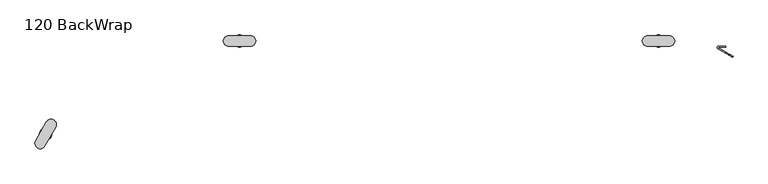
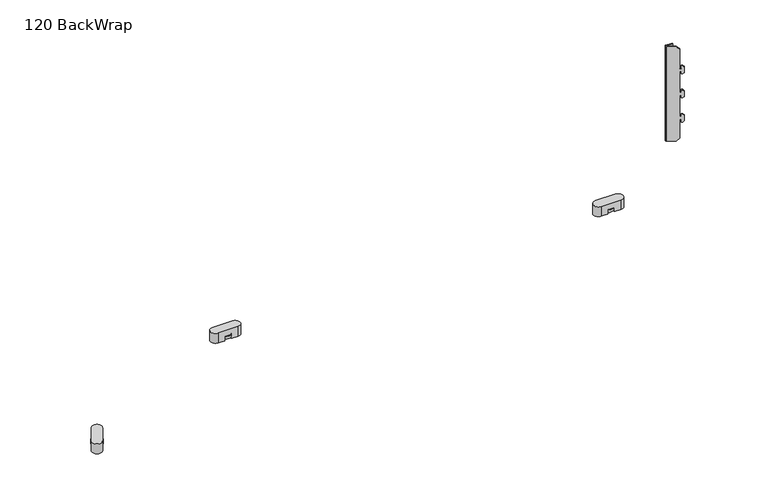
"""IFC4 building model written with IfcOpenShell, lengths in millimetres: furniture geometry, 120 BackWrap."""

from ifc_helpers import new_model, si_unit, point, frame, frame_2d, origin, place, context, project, spatial, polyline, circle_curve, trimmed, segment, composite_curve, outline, extrude, source, transform, mapped, element, save
from ifc_brep_helpers import plane_surface, cylinder_surface, revolved_surface, advanced_brep


def furniture_120_backwrap_07861d0c(model_context):
    return source(origin(), model_context, "Body", "SolidModel", [
        advanced_brep(
        [(1336.9143288, -32.9117824, 323.9031218), (1342.1770838, -35.9502354, 317.8262158), (1342.1770838, -35.9502354, 276.6756266), (1344.6104582, -37.3551448, 276.6756266), (1344.6104582, -37.3551448, 282.5751605), (1347.2407143, -38.8737238, 282.5751605), (1349.4442688, -40.1459466, 280.0307149), (1349.4442688, -40.1459466, 267.9465768), (1347.2433427, -38.8752413, 265.4051662), (1344.6104582, -37.3551448, 265.4051662), (1344.6104582, -37.3551448, 271.3105955), (1342.1770838, -35.9502354, 271.3105955), (1342.1770838, -35.9502354, 224.3556612), (1344.6104582, -37.3551448, 224.3556612), (1344.6104582, -37.3551448, 230.2551951), (1347.2407143, -38.8737238, 230.2551951), (1349.4442688, -40.1459466, 227.7107495), (1349.4442688, -40.1459466, 215.6266115), (1347.2433427, -38.8752413, 213.0852009), (1344.6104582, -37.3551448, 213.0852009), (1344.6104582, -37.3551448, 218.9906301), (1342.1770838, -35.9502354, 218.9906301), (1342.1770838, -35.9502354, 172.0256189), (1344.6104582, -37.3551448, 172.0256189), (1344.6104582, -37.3551448, 177.9251529), (1347.2407143, -38.8737238, 177.9251529), (1349.4442688, -40.1459466, 175.3807073), (1349.4442688, -40.1459466, 163.2965692), (1347.2433427, -38.8752413, 160.7551586), (1344.6104582, -37.3551448, 160.7551586), (1344.6104582, -37.3551448, 166.6605879), (1342.1770838, -35.9502354, 166.6605879), (1342.1770838, -35.9502354, 125.5200268), (1336.9143291, -32.9117826, 119.4431211), (1322.0765894, -24.3452096, 119.4431211), (1322.0765894, -24.3452096, 323.9031218), (1335.9681612, -34.5505935, 119.4431211), (1341.2309158, -37.5890463, 125.5200268), (1341.2309158, -37.5890463, 166.6605879), (1343.6642903, -38.9939558, 166.6605879), (1343.6642903, -38.9939558, 160.7551586), (1346.2971747, -40.5140523, 160.7551586), (1348.4981009, -41.7847576, 163.2965692), (1348.4981009, -41.7847576, 175.3807073), (1346.2945464, -40.5125348, 177.9251529), (1343.6642903, -38.9939558, 177.9251529), (1343.6642903, -38.9939558, 172.0256189), (1341.2309158, -37.5890463, 172.0256189), (1341.2309158, -37.5890463, 218.9906301), (1343.6642903, -38.9939558, 218.9906301), (1343.6642903, -38.9939558, 213.0852009), (1346.2971747, -40.5140523, 213.0852009), (1348.4981009, -41.7847576, 215.6266115), (1348.4981009, -41.7847576, 227.7107495), (1346.2945464, -40.5125348, 230.2551951), (1343.6642903, -38.9939558, 230.2551951), (1343.6642903, -38.9939558, 224.3556612), (1341.2309158, -37.5890463, 224.3556612), (1341.2309158, -37.5890463, 271.3105955), (1343.6642903, -38.9939558, 271.3105955), (1343.6642903, -38.9939558, 265.4051662), (1346.2971747, -40.5140523, 265.4051662), (1348.4981009, -41.7847576, 267.9465768), (1348.4981009, -41.7847576, 280.0307149), (1346.2945464, -40.5125348, 282.5751605), (1343.6642903, -38.9939558, 282.5751605), (1343.6642903, -38.9939558, 276.6756266), (1341.2309158, -37.5890463, 276.6756266), (1341.2309158, -37.5890463, 317.8262158), (1335.9681609, -34.5505933, 323.9031218), (1321.1304095, -25.9840136, 323.9031218), (1321.1304095, -25.9840136, 119.4431211), (1322.4622047, -22.9281911, 323.9031218), (1335.3405853, -22.9281911, 323.9031218), (1335.3405853, -21.0353091, 323.9031218), (1322.4622047, -21.0353091, 323.9031218), (1319.9241954, -22.8417185, 323.9031218), (1319.9241954, -22.8417185, 119.4431211), (1322.4622047, -21.0353091, 119.4431211), (1335.3405853, -21.0353091, 119.4431211), (1335.3405853, -22.9281911, 119.4431211), (1322.4622047, -22.9281911, 119.4431211)],
        [
            (0, 1),
            (1, 2),
            (2, 3),
            (3, 4),
            (4, 5),
            (5, 6),
            (6, 7),
            (7, 8),
            (8, 9),
            (9, 10),
            (10, 11),
            (11, 12),
            (12, 13),
            (13, 14),
            (14, 15),
            (15, 16),
            (16, 17),
            (17, 18),
            (18, 19),
            (19, 20),
            (20, 21),
            (21, 22),
            (22, 23),
            (23, 24),
            (24, 25),
            (25, 26),
            (26, 27),
            (27, 28),
            (28, 29),
            (29, 30),
            (30, 31),
            (31, 32),
            (32, 33),
            (33, 34),
            (34, 35),
            (35, 0),
            (36, 37),
            (37, 38),
            (38, 39),
            (39, 40),
            (40, 41),
            (41, 42),
            (42, 43),
            (43, 44),
            (44, 45),
            (45, 46),
            (46, 47),
            (47, 48),
            (48, 49),
            (49, 50),
            (50, 51),
            (51, 52),
            (52, 53),
            (53, 54),
            (54, 55),
            (55, 56),
            (56, 57),
            (57, 58),
            (58, 59),
            (59, 60),
            (60, 61),
            (61, 62),
            (62, 63),
            (63, 64),
            (64, 65),
            (65, 66),
            (66, 67),
            (67, 68),
            (68, 69),
            (69, 70),
            (70, 71),
            (71, 36),
            (35, 72, circle_curve(frame((1322.4562845, -23.6875583, 323.9031218), z_axis=(0.0, 0.0, -1.0), x_axis=(1.0, 0.0, 0.0)), 0.7593903)),
            (72, 73),
            (73, 74),
            (74, 75),
            (75, 76, circle_curve(frame((1322.4111897, -23.6497919, 323.9031218), z_axis=(0.0, 0.0, 1.0), x_axis=(1.0, 0.0, 0.0)), 2.6149805)),
            (76, 70, circle_curve(frame((1322.4675081, -23.6680909, 323.9031218), z_axis=(0.0, 0.0, 1.0), x_axis=(1.0, 0.0, 0.0)), 2.6741972)),
            (69, 0),
            (68, 1),
            (67, 2),
            (66, 3),
            (65, 4),
            (64, 5),
            (63, 6),
            (62, 7),
            (61, 8),
            (60, 9),
            (59, 10),
            (58, 11),
            (57, 12),
            (56, 13),
            (55, 14),
            (54, 15),
            (53, 16),
            (52, 17),
            (51, 18),
            (50, 19),
            (49, 20),
            (48, 21),
            (47, 22),
            (46, 23),
            (45, 24),
            (44, 25),
            (43, 26),
            (42, 27),
            (41, 28),
            (40, 29),
            (39, 30),
            (38, 31),
            (37, 32),
            (36, 33),
            (71, 77, circle_curve(frame((1322.4675081, -23.6680909, 119.4431211), z_axis=(0.0, 0.0, -1.0), x_axis=(1.0, 0.0, 0.0)), 2.6741972)),
            (77, 78, circle_curve(frame((1322.4111897, -23.6497919, 119.4431211), z_axis=(0.0, 0.0, -1.0), x_axis=(1.0, 0.0, 0.0)), 2.6149805)),
            (78, 79),
            (79, 80),
            (80, 81),
            (81, 34, circle_curve(frame((1322.4562845, -23.6875583, 119.4431211), z_axis=(0.0, 0.0, 1.0), x_axis=(1.0, 0.0, 0.0)), 0.7593903)),
            (81, 72),
            (80, 73),
            (79, 74),
            (78, 75),
            (77, 76),
        ],
        [
            plane_surface(frame((1330.5913574, -29.2612132, 323.9031218), z_axis=(0.5000000000000026, 0.8660254037844372, 0.0), x_axis=(0.0, 0.0, 1.0))),
            plane_surface(frame((1329.6451895, -30.9000241, 323.9031218), z_axis=(-0.5000000000000026, -0.8660254037844372, 0.0), x_axis=(0.0, 0.0, -1.0))),
            plane_surface(frame((1330.5913574, -29.2612132, 323.9031218), z_axis=(0.0, 0.0, 1.0), x_axis=(-0.5000000000000133, -0.866025403784431, 0.0))),
            plane_surface(frame((1336.9143288, -32.9117824, 323.9031218), z_axis=(0.6123724356957576, -0.35355339059326496, 0.7071067811865841), x_axis=(-0.5000000000000133, -0.866025403784431, 0.0))),
            plane_surface(frame((1342.1770838, -35.9502354, 317.8262158), z_axis=(0.866025403784431, -0.5000000000000133, 0.0), x_axis=(-0.5000000000000133, -0.866025403784431, 0.0))),
            plane_surface(frame((1342.1770838, -35.9502354, 276.6756266), z_axis=(0.0, 0.0, 1.0), x_axis=(-0.5000000000000133, -0.866025403784431, 0.0))),
            plane_surface(frame((1344.6104582, -37.3551448, 276.6756266), z_axis=(-0.8660254037844305, 0.5000000000000142, 0.0), x_axis=(-0.5000000000000142, -0.8660254037844305, 0.0))),
            plane_surface(frame((1344.6104582, -37.3551448, 282.5751605), z_axis=(0.0, 0.0, 1.0), x_axis=(-0.5000000000000133, -0.866025403784431, 0.0))),
            plane_surface(frame((1347.2407143, -38.8737238, 282.5751605), z_axis=(0.6123724356958354, -0.35355339059331076, 0.7071067811864937), x_axis=(-0.5000000000000142, -0.8660254037844305, 0.0))),
            plane_surface(frame((1349.4442688, -40.1459466, 280.0307149), z_axis=(0.8660254037844316, -0.5000000000000124, 0.0), x_axis=(-0.5000000000000124, -0.8660254037844316, 0.0))),
            plane_surface(frame((1349.4442688, -40.1459466, 267.9465768), z_axis=(0.6123724356957484, -0.3535533905932588, -0.7071067811865951), x_axis=(-0.5000000000000124, -0.8660254037844316, 0.0))),
            plane_surface(frame((1347.2433427, -38.8752413, 265.4051662), z_axis=(0.0, 0.0, -1.0), x_axis=(-0.5000000000000142, -0.8660254037844305, 0.0))),
            plane_surface(frame((1344.6104582, -37.3551448, 265.4051662), z_axis=(-0.8660254037844305, 0.5000000000000142, 0.0), x_axis=(-0.5000000000000142, -0.8660254037844305, 0.0))),
            plane_surface(frame((1344.6104582, -37.3551448, 271.3105955), z_axis=(0.0, 0.0, -1.0), x_axis=(-0.5000000000000142, -0.8660254037844305, 0.0))),
            plane_surface(frame((1342.1770838, -35.9502354, 271.3105955), z_axis=(0.8660254037844305, -0.5000000000000142, 0.0), x_axis=(-0.5000000000000142, -0.8660254037844305, 0.0))),
            plane_surface(frame((1342.1770838, -35.9502354, 224.3556612), z_axis=(0.0, 0.0, 1.0), x_axis=(-0.5000000000000133, -0.866025403784431, 0.0))),
            plane_surface(frame((1344.6104582, -37.3551448, 224.3556612), z_axis=(-0.8660254037844305, 0.5000000000000142, 0.0), x_axis=(-0.5000000000000142, -0.8660254037844305, 0.0))),
            plane_surface(frame((1344.6104582, -37.3551448, 230.2551951), z_axis=(0.0, 0.0, 1.0), x_axis=(-0.5000000000000142, -0.8660254037844305, 0.0))),
            plane_surface(frame((1347.2407143, -38.8737238, 230.2551951), z_axis=(0.6123724356958354, -0.35355339059331076, 0.7071067811864937), x_axis=(-0.5000000000000142, -0.8660254037844305, 0.0))),
            plane_surface(frame((1349.4442688, -40.1459466, 227.7107495), z_axis=(0.8660254037844316, -0.5000000000000124, 0.0), x_axis=(-0.5000000000000124, -0.8660254037844316, 0.0))),
            plane_surface(frame((1349.4442688, -40.1459466, 215.6266115), z_axis=(0.6123724356957484, -0.3535533905932588, -0.7071067811865951), x_axis=(-0.5000000000000124, -0.8660254037844316, 0.0))),
            plane_surface(frame((1347.2433427, -38.8752413, 213.0852009), z_axis=(0.0, 0.0, -1.0), x_axis=(-0.5000000000000142, -0.8660254037844305, 0.0))),
            plane_surface(frame((1344.6104582, -37.3551448, 213.0852009), z_axis=(-0.8660254037844305, 0.5000000000000142, 0.0), x_axis=(-0.5000000000000142, -0.8660254037844305, 0.0))),
            plane_surface(frame((1344.6104582, -37.3551448, 218.9906301), z_axis=(0.0, 0.0, -1.0), x_axis=(-0.5000000000000142, -0.8660254037844305, 0.0))),
            plane_surface(frame((1342.1770838, -35.9502354, 218.9906301), z_axis=(0.866025403784431, -0.5000000000000133, 0.0), x_axis=(-0.5000000000000133, -0.866025403784431, 0.0))),
            plane_surface(frame((1342.1770838, -35.9502354, 172.0256189), z_axis=(0.0, 0.0, 1.0), x_axis=(-0.5000000000000133, -0.866025403784431, 0.0))),
            plane_surface(frame((1344.6104582, -37.3551448, 172.0256189), z_axis=(-0.8660254037844305, 0.5000000000000142, 0.0), x_axis=(-0.5000000000000142, -0.8660254037844305, 0.0))),
            plane_surface(frame((1344.6104582, -37.3551448, 177.9251529), z_axis=(0.0, 0.0, 1.0), x_axis=(-0.5000000000000142, -0.8660254037844305, 0.0))),
            plane_surface(frame((1347.2407143, -38.8737238, 177.9251529), z_axis=(0.6123724356958354, -0.35355339059331076, 0.7071067811864937), x_axis=(-0.5000000000000142, -0.8660254037844305, 0.0))),
            plane_surface(frame((1349.4442688, -40.1459466, 175.3807073), z_axis=(0.8660254037844316, -0.5000000000000124, 0.0), x_axis=(-0.5000000000000124, -0.8660254037844316, 0.0))),
            plane_surface(frame((1349.4442688, -40.1459466, 163.2965692), z_axis=(0.6123724356957484, -0.3535533905932588, -0.7071067811865951), x_axis=(-0.5000000000000124, -0.8660254037844316, 0.0))),
            plane_surface(frame((1347.2433427, -38.8752413, 160.7551586), z_axis=(0.0, 0.0, -1.0), x_axis=(-0.5000000000000142, -0.8660254037844305, 0.0))),
            plane_surface(frame((1344.6104582, -37.3551448, 160.7551586), z_axis=(-0.8660254037844305, 0.5000000000000142, 0.0), x_axis=(-0.5000000000000142, -0.8660254037844305, 0.0))),
            plane_surface(frame((1344.6104582, -37.3551448, 166.6605879), z_axis=(0.0, 0.0, -1.0), x_axis=(-0.5000000000000142, -0.8660254037844305, 0.0))),
            plane_surface(frame((1342.1770838, -35.9502354, 166.6605879), z_axis=(0.866025403784431, -0.5000000000000133, 0.0), x_axis=(-0.5000000000000133, -0.866025403784431, 0.0))),
            plane_surface(frame((1342.1770838, -35.9502354, 125.5200268), z_axis=(0.6123724356957685, -0.3535533905932713, -0.7071067811865716), x_axis=(-0.5000000000000133, -0.866025403784431, 0.0))),
            plane_surface(frame((1336.9143291, -32.9117826, 119.4431211), z_axis=(0.0, 0.0, -1.0), x_axis=(-0.5000000000000133, -0.866025403784431, 0.0))),
            revolved_surface(polyline([(1323.2156748, -23.6875583, 119.4431211), (1323.2156748, -23.6875583, 323.9031218)]), (1322.4562845, -23.6875583, 119.4431211), (0.0, 0.0, -1.0)),
            plane_surface(frame((1322.4622047, -22.9281911, 323.9031218), z_axis=(0.0, -1.0, 0.0), x_axis=(0.0, 0.0, -1.0))),
            plane_surface(frame((1335.3405853, -22.9281911, 323.9031218), z_axis=(1.0, 0.0, 0.0), x_axis=(0.0, 0.0, -1.0))),
            plane_surface(frame((1335.3405853, -21.0353091, 323.9031218), z_axis=(0.0, 1.0, 0.0), x_axis=(0.0, 0.0, -1.0))),
            cylinder_surface(frame((1322.4111897, -23.6497919, 119.4431211), z_axis=(0.0, 0.0, 1.0), x_axis=(1.0, 0.0, 0.0)), 2.6149805),
            cylinder_surface(frame((1322.4675081, -23.6680909, 119.4431211), z_axis=(0.0, 0.0, 1.0), x_axis=(1.0, 0.0, 0.0)), 2.6741972),
        ],
        [
            (0, [[1, 2, 3, 4, 5, 6, 7, 8, 9, 10, 11, 12, 13, 14, 15, 16, 17, 18, 19, 20, 21, 22, 23, 24, 25, 26, 27, 28, 29, 30, 31, 32, 33, 34, 35, 36]]),
            (1, [[37, 38, 39, 40, 41, 42, 43, 44, 45, 46, 47, 48, 49, 50, 51, 52, 53, 54, 55, 56, 57, 58, 59, 60, 61, 62, 63, 64, 65, 66, 67, 68, 69, 70, 71, 72]]),
            (2, [[-36, 73, 74, 75, 76, 77, 78, -70, 79]]),
            (3, [[-1, -79, -69, 80]]),
            (4, [[-2, -80, -68, 81]]),
            (5, [[-3, -81, -67, 82]]),
            (6, [[-4, -82, -66, 83]]),
            (7, [[-5, -83, -65, 84]]),
            (8, [[-6, -84, -64, 85]]),
            (9, [[-7, -85, -63, 86]]),
            (10, [[-8, -86, -62, 87]]),
            (11, [[-9, -87, -61, 88]]),
            (12, [[-10, -88, -60, 89]]),
            (13, [[-11, -89, -59, 90]]),
            (14, [[-12, -90, -58, 91]]),
            (15, [[-13, -91, -57, 92]]),
            (16, [[-14, -92, -56, 93]]),
            (17, [[-15, -93, -55, 94]]),
            (18, [[-16, -94, -54, 95]]),
            (19, [[-17, -95, -53, 96]]),
            (20, [[-18, -96, -52, 97]]),
            (21, [[-19, -97, -51, 98]]),
            (22, [[-20, -98, -50, 99]]),
            (23, [[-21, -99, -49, 100]]),
            (24, [[-22, -100, -48, 101]]),
            (25, [[-23, -101, -47, 102]]),
            (26, [[-24, -102, -46, 103]]),
            (27, [[-25, -103, -45, 104]]),
            (28, [[-26, -104, -44, 105]]),
            (29, [[-27, -105, -43, 106]]),
            (30, [[-28, -106, -42, 107]]),
            (31, [[-29, -107, -41, 108]]),
            (32, [[-30, -108, -40, 109]]),
            (33, [[-31, -109, -39, 110]]),
            (34, [[-32, -110, -38, 111]]),
            (35, [[-33, -111, -37, 112]]),
            (36, [[-34, -112, -72, 113, 114, 115, 116, 117, 118]]),
            (37, [[-73, -35, -118, 119]]),
            (38, [[-74, -119, -117, 120]]),
            (39, [[-75, -120, -116, 121]]),
            (40, [[-76, -121, -115, 122]]),
            (41, [[-77, -122, -114, 123]]),
            (42, [[-78, -123, -113, -71]]),
        ],
    ),
        extrude(outline(composite_curve([segment(trimmed(circle_curve(frame_2d((62.4516152, -185.3692234)), 11.4974827), [point((50.9541325, -185.3692234))], [point((73.9490979, -185.3692234))], False, "CARTESIAN"), True, "CONTINUOUS"), segment(trimmed(circle_curve(frame_2d((62.4516152, -185.3692234)), 11.4974827), [point((73.9490979, -185.3692234))], [point((50.9541325, -185.3692234))], False, "CARTESIAN"), True, "CONTINUOUS")], self_intersect=False)), frame((0.0, 0.0, 2.910432), z_axis=(0.0, 0.0, 1.0), x_axis=(1.0, 0.0, 0.0)), (0.0, 0.0, 1.0), 5.9399384),
        extrude(outline(composite_curve([segment(trimmed(circle_curve(frame_2d((425.5052491, -11.4875032)), 11.4974827), [point((414.0077664, -11.4875032))], [point((437.0027319, -11.4875032))], False, "CARTESIAN"), True, "CONTINUOUS"), segment(trimmed(circle_curve(frame_2d((425.5052491, -11.4875032)), 11.4974827), [point((437.0027319, -11.4875032))], [point((414.0077664, -11.4875032))], False, "CARTESIAN"), True, "CONTINUOUS")], self_intersect=False)), frame((0.0, 0.0, 2.910432), z_axis=(0.0, 0.0, 1.0), x_axis=(1.0, 0.0, 0.0)), (0.0, 0.0, 1.0), 5.9399384),
        extrude(outline(composite_curve([segment(trimmed(circle_curve(frame_2d((1209.8412623, -11.4974436)), 11.4974827), [point((1198.3437796, -11.4974436))], [point((1221.3387451, -11.4974436))], False, "CARTESIAN"), True, "CONTINUOUS"), segment(trimmed(circle_curve(frame_2d((1209.8412623, -11.4974436)), 11.4974827), [point((1221.3387451, -11.4974436))], [point((1198.3437796, -11.4974436))], False, "CARTESIAN"), True, "CONTINUOUS")], self_intersect=False)), frame((0.0, 0.0, 2.910432), z_axis=(0.0, 0.0, 1.0), x_axis=(1.0, 0.0, 0.0)), (0.0, 0.0, 1.0), 5.9399384),
        advanced_brep(
        [(63.8834619, -162.8513762, 21.125433), (43.683913, -197.8380211, 21.125433), (61.037186, -207.8569379, 21.125433), (81.2367348, -172.870293, 21.125433), (63.8834619, -162.8513762, 0.0), (81.2367348, -172.870293, 0.0), (74.6165064, -184.3368649, 0.0), (57.2632335, -174.3179481, 0.0), (61.037186, -207.8569379, 0.0), (43.683913, -197.8380211, 0.0), (50.3041414, -186.3714492, 0.0), (67.6574143, -196.390366, 0.0), (57.2632335, -174.3179481, 8.8503704), (50.3041414, -186.3714492, 8.8503704), (67.6574143, -196.390366, 8.8503704), (74.6165064, -184.3368649, 8.8503704)],
        [
            (0, 1),
            (1, 2, circle_curve(frame((52.3605495, -202.8474795, 21.125433), z_axis=(0.0, 0.0, 1.0), x_axis=(0.4999999999999962, -0.8660254037844408, 0.0)), 10.0189168)),
            (2, 3),
            (3, 0, circle_curve(frame((72.5600983, -167.8608346, 21.125433), z_axis=(0.0, 0.0, 1.0), x_axis=(1.0, 0.0, 0.0)), 10.0189168)),
            (4, 5, circle_curve(frame((72.5600983, -167.8608346, 0.0), z_axis=(0.0, 0.0, -1.0), x_axis=(1.0, 0.0, 0.0)), 10.0189168)),
            (5, 6),
            (6, 7, circle_curve(frame((61.5705182, -186.8953457, 0.0), z_axis=(0.0, 0.0, 1.0), x_axis=(0.499999999999998, -0.8660254037844398, 0.0)), 13.2944963)),
            (7, 4),
            (8, 9, circle_curve(frame((52.3605495, -202.8474795, 0.0), z_axis=(0.0, 0.0, -1.0), x_axis=(0.4999999999999962, -0.8660254037844408, 0.0)), 10.0189168)),
            (9, 10),
            (10, 11, circle_curve(frame((63.3501296, -183.8129684, 0.0), z_axis=(0.0, 0.0, 1.0), x_axis=(1.0, 0.0, 0.0)), 13.2944963)),
            (11, 8),
            (0, 4),
            (7, 12),
            (12, 13),
            (13, 10),
            (9, 1),
            (8, 2),
            (11, 14),
            (14, 15),
            (15, 6),
            (5, 3),
            (14, 13, circle_curve(frame((63.3501296, -183.8129684, 8.8503704), z_axis=(0.0, 0.0, -1.0), x_axis=(1.0, 0.0, 0.0)), 13.2944963)),
            (12, 15, circle_curve(frame((61.5705182, -186.8953457, 8.8503704), z_axis=(0.0, 0.0, -1.0), x_axis=(0.499999999999998, -0.8660254037844398, 0.0)), 13.2944963)),
        ],
        [
            plane_surface(frame((43.683913, -197.8380211, 21.125433), z_axis=(0.0, 0.0, 1.0), x_axis=(-0.5000000000000022, -0.8660254037844374, 0.0))),
            plane_surface(frame((43.683913, -197.8380211, 0.0), z_axis=(0.0, 0.0, -1.0), x_axis=(0.5000000000000022, 0.8660254037844374, 0.0))),
            plane_surface(frame((63.8834619, -162.8513762, 21.125433), z_axis=(-0.8660254037844374, 0.5000000000000022, 0.0), x_axis=(0.0, 0.0, -1.0))),
            cylinder_surface(frame((52.3605495, -202.8474795, 0.0), z_axis=(0.0, 0.0, 1.0), x_axis=(0.4999999999999962, -0.8660254037844408, 0.0)), 10.0189168),
            plane_surface(frame((61.037186, -207.8569379, 21.125433), z_axis=(0.8660254037844388, -0.49999999999999983, 0.0), x_axis=(0.0, 0.0, -1.0))),
            cylinder_surface(frame((72.5600983, -167.8608346, 0.0), z_axis=(0.0, 0.0, 1.0), x_axis=(1.0, 0.0, 0.0)), 10.0189168),
            plane_surface(frame((68.2177664, -198.4087172, 8.8503704), z_axis=(0.0, 0.0, -1.0), x_axis=(0.8660254037844398, 0.499999999999998, 0.0))),
            revolved_surface(polyline([(68.21776634999998, -198.40871722631826, 8.8503704), (68.21776634999998, -198.40871722631826, 0.0)]), (61.5705182, -186.8953457, 0.0), (0.0, 0.0, 1.0)),
            revolved_surface(polyline([(76.64462590000001, -183.8129684, 8.8503704), (76.64462590000001, -183.8129684, 0.0)]), (63.3501296, -183.8129684, 0.0), (0.0, 0.0, 1.0)),
        ],
        [
            (0, [[1, 2, 3, 4]]),
            (1, [[5, 6, 7, 8]]),
            (1, [[9, 10, 11, 12]]),
            (2, [[-1, 13, -8, 14, 15, 16, -10, 17]]),
            (3, [[-2, -17, -9, 18]]),
            (4, [[-3, -18, -12, 19, 20, 21, -6, 22]]),
            (5, [[-4, -22, -5, -13]]),
            (6, [[23, -15, 24, -20]]),
            (7, [[-24, -14, -7, -21]]),
            (8, [[-23, -19, -11, -16]]),
        ],
    ),
        advanced_brep(
        [(445.704798, -1.4685864, 21.125433), (405.3057003, -1.4685864, 21.125433), (405.3057003, -21.5064199, 21.125433), (445.704798, -21.5064199, 21.125433), (445.704798, -1.4685864, 0.0), (445.704798, -21.5064199, 0.0), (432.5146315, -21.5064199, 0.0), (432.5146315, -1.4685864, 0.0), (405.3057003, -21.5064199, 0.0), (405.3057003, -1.4685864, 0.0), (418.5964473, -1.4685864, 0.0), (418.5964473, -21.5064199, 0.0), (432.5146315, -1.4685864, 8.8503704), (418.5964473, -1.4685864, 8.8503704), (418.5964473, -21.5064199, 8.8503704), (432.5146315, -21.5064199, 8.8503704)],
        [
            (0, 1),
            (1, 2, circle_curve(frame((405.3057003, -11.4875032, 21.125433), z_axis=(0.0, 0.0, 1.0), x_axis=(-0.5000000000000067, -0.8660254037844348, 0.0)), 10.0189168)),
            (2, 3),
            (3, 0, circle_curve(frame((445.704798, -11.4875032, 21.125433), z_axis=(0.0, 0.0, 1.0), x_axis=(0.4999999999999971, -0.8660254037844404, 0.0)), 10.0189168)),
            (4, 5, circle_curve(frame((445.704798, -11.4875032, 0.0), z_axis=(0.0, 0.0, -1.0), x_axis=(0.4999999999999971, -0.8660254037844404, 0.0)), 10.0189168)),
            (5, 6),
            (6, 7, circle_curve(frame((423.775928, -11.4875032, 0.0), z_axis=(0.0, 0.0, 1.0), x_axis=(-0.49999999999999867, -0.8660254037844395, 0.0)), 13.2944963)),
            (7, 4),
            (8, 9, circle_curve(frame((405.3057003, -11.4875032, 0.0), z_axis=(0.0, 0.0, -1.0), x_axis=(-0.5000000000000067, -0.8660254037844348, 0.0)), 10.0189168)),
            (9, 10),
            (10, 11, circle_curve(frame((427.3351508, -11.4875032, 0.0), z_axis=(0.0, 0.0, 1.0), x_axis=(0.5000000000000033, -0.8660254037844367, 0.0)), 13.2944963)),
            (11, 8),
            (0, 4),
            (7, 12),
            (12, 13),
            (13, 10),
            (9, 1),
            (8, 2),
            (11, 14),
            (14, 15),
            (15, 6),
            (5, 3),
            (14, 13, circle_curve(frame((427.3351508, -11.4875032, 8.8503704), z_axis=(0.0, 0.0, -1.0), x_axis=(0.5000000000000033, -0.8660254037844367, 0.0)), 13.2944963)),
            (12, 15, circle_curve(frame((423.775928, -11.4875032, 8.8503704), z_axis=(0.0, 0.0, -1.0), x_axis=(-0.49999999999999867, -0.8660254037844395, 0.0)), 13.2944963)),
        ],
        [
            plane_surface(frame((43.683913, -197.8380211, 21.125433), z_axis=(0.0, 0.0, 1.0), x_axis=(-0.5000000000000022, -0.8660254037844374, 0.0))),
            plane_surface(frame((43.683913, -197.8380211, 0.0), z_axis=(0.0, 0.0, -1.0), x_axis=(0.5000000000000022, 0.8660254037844374, 0.0))),
            plane_surface(frame((445.704798, -1.4685864, 21.125433), z_axis=(0.0, 1.0, 0.0), x_axis=(0.0, 0.0, -1.0))),
            cylinder_surface(frame((405.3057003, -11.4875032, 0.0), z_axis=(0.0, 0.0, 0.9999999999999999), x_axis=(-0.5000000000000067, -0.8660254037844348, 0.0)), 10.0189168),
            plane_surface(frame((405.3057003, -21.5064199, 21.125433), z_axis=(0.0, -1.0, 0.0), x_axis=(0.0, 0.0, -1.0))),
            cylinder_surface(frame((445.704798, -11.4875032, 0.0), z_axis=(0.0, 0.0, 1.0), x_axis=(0.4999999999999971, -0.8660254037844404, 0.0)), 10.0189168),
            plane_surface(frame((68.2177664, -198.4087172, 8.8503704), z_axis=(0.0, 0.0, -1.0), x_axis=(0.8660254037844398, 0.499999999999998, 0.0))),
            revolved_surface(polyline([(417.12867985, -23.000874726318237, 8.8503704), (417.12867985, -23.000874726318237, 0.0)]), (423.775928, -11.4875032, 0.0), (0.0, 0.0, 1.0)),
            revolved_surface(polyline([(433.98239895000006, -23.0008747263182, 8.8503704), (433.98239895000006, -23.0008747263182, 0.0)]), (427.3351508, -11.4875032, 0.0), (0.0, 0.0, 1.0)),
        ],
        [
            (0, [[1, 2, 3, 4]]),
            (1, [[5, 6, 7, 8]]),
            (1, [[9, 10, 11, 12]]),
            (2, [[-1, 13, -8, 14, 15, 16, -10, 17]]),
            (3, [[-2, -17, -9, 18]]),
            (4, [[-3, -18, -12, 19, 20, 21, -6, 22]]),
            (5, [[-4, -22, -5, -13]]),
            (6, [[23, -15, 24, -20]]),
            (7, [[-24, -14, -7, -21]]),
            (8, [[-23, -19, -11, -16]]),
        ],
    ),
        advanced_brep(
        [(1230.0408112, -1.4785268, 21.125433), (1189.6417135, -1.4785268, 21.125433), (1189.6417135, -21.5163604, 21.125433), (1230.0408112, -21.5163604, 21.125433), (1230.0408112, -1.4785268, 0.0), (1230.0408112, -21.5163604, 0.0), (1216.8506447, -21.5163604, 0.0), (1216.8506447, -1.4785268, 0.0), (1189.6417135, -21.5163604, 0.0), (1189.6417135, -1.4785268, 0.0), (1202.9324605, -1.4785268, 0.0), (1202.9324605, -21.5163604, 0.0), (1216.8506447, -1.4785268, 8.8503704), (1202.9324605, -1.4785268, 8.8503704), (1202.9324605, -21.5163604, 8.8503704), (1216.8506447, -21.5163604, 8.8503704)],
        [
            (0, 1),
            (1, 2, circle_curve(frame((1189.6417135, -11.4974436, 21.125433), z_axis=(0.0, 0.0, 1.0), x_axis=(-0.5000000000000067, -0.8660254037844348, 0.0)), 10.0189168)),
            (2, 3),
            (3, 0, circle_curve(frame((1230.0408112, -11.4974436, 21.125433), z_axis=(0.0, 0.0, 1.0), x_axis=(0.4999999999999971, -0.8660254037844404, 0.0)), 10.0189168)),
            (4, 5, circle_curve(frame((1230.0408112, -11.4974436, 0.0), z_axis=(0.0, 0.0, -1.0), x_axis=(0.4999999999999971, -0.8660254037844404, 0.0)), 10.0189168)),
            (5, 6),
            (6, 7, circle_curve(frame((1208.1119412, -11.4974436, 0.0), z_axis=(0.0, 0.0, 1.0), x_axis=(-0.49999999999999867, -0.8660254037844395, 0.0)), 13.2944963)),
            (7, 4),
            (8, 9, circle_curve(frame((1189.6417135, -11.4974436, 0.0), z_axis=(0.0, 0.0, -1.0), x_axis=(-0.5000000000000067, -0.8660254037844348, 0.0)), 10.0189168)),
            (9, 10),
            (10, 11, circle_curve(frame((1211.671164, -11.4974436, 0.0), z_axis=(0.0, 0.0, 1.0), x_axis=(0.5000000000000033, -0.8660254037844367, 0.0)), 13.2944963)),
            (11, 8),
            (0, 4),
            (7, 12),
            (12, 13),
            (13, 10),
            (9, 1),
            (8, 2),
            (11, 14),
            (14, 15),
            (15, 6),
            (5, 3),
            (14, 13, circle_curve(frame((1211.671164, -11.4974436, 8.8503704), z_axis=(0.0, 0.0, -1.0), x_axis=(0.5000000000000033, -0.8660254037844367, 0.0)), 13.2944963)),
            (12, 15, circle_curve(frame((1208.1119412, -11.4974436, 8.8503704), z_axis=(0.0, 0.0, -1.0), x_axis=(-0.49999999999999867, -0.8660254037844395, 0.0)), 13.2944963)),
        ],
        [
            plane_surface(frame((43.683913, -197.8380211, 21.125433), z_axis=(0.0, 0.0, 1.0), x_axis=(-0.5000000000000022, -0.8660254037844374, 0.0))),
            plane_surface(frame((43.683913, -197.8380211, 0.0), z_axis=(0.0, 0.0, -1.0), x_axis=(0.5000000000000022, 0.8660254037844374, 0.0))),
            plane_surface(frame((1230.0408112, -1.4785268, 21.125433), z_axis=(0.0, 1.0, 0.0), x_axis=(0.0, 0.0, -1.0))),
            cylinder_surface(frame((1189.6417135, -11.4974436, 0.0), z_axis=(0.0, 0.0, 0.9999999999999999), x_axis=(-0.5000000000000067, -0.8660254037844348, 0.0)), 10.0189168),
            plane_surface(frame((1189.6417135, -21.5163604, 21.125433), z_axis=(0.0, -1.0, 0.0), x_axis=(0.0, 0.0, -1.0))),
            cylinder_surface(frame((1230.0408112, -11.4974436, 0.0), z_axis=(0.0, 0.0, 1.0), x_axis=(0.4999999999999971, -0.8660254037844404, 0.0)), 10.0189168),
            plane_surface(frame((68.2177664, -198.4087172, 8.8503704), z_axis=(0.0, 0.0, -1.0), x_axis=(0.8660254037844398, 0.499999999999998, 0.0))),
            revolved_surface(polyline([(1201.46469305, -23.010815126318235, 8.8503704), (1201.46469305, -23.010815126318235, 0.0)]), (1208.1119412, -11.4974436, 0.0), (0.0, 0.0, 1.0)),
            revolved_surface(polyline([(1218.31841215, -23.0108151263182, 8.8503704), (1218.31841215, -23.0108151263182, 0.0)]), (1211.671164, -11.4974436, 0.0), (0.0, 0.0, 1.0)),
        ],
        [
            (0, [[1, 2, 3, 4]]),
            (1, [[5, 6, 7, 8]]),
            (1, [[9, 10, 11, 12]]),
            (2, [[-1, 13, -8, 14, 15, 16, -10, 17]]),
            (3, [[-2, -17, -9, 18]]),
            (4, [[-3, -18, -12, 19, 20, 21, -6, 22]]),
            (5, [[-4, -22, -5, -13]]),
            (6, [[23, -15, 24, -20]]),
            (7, [[-24, -14, -7, -21]]),
            (8, [[-23, -19, -11, -16]]),
        ],
    ),
    ])


if __name__ == "__main__":
    model = new_model("IFC4")
    model_context = context("Model", 3, world=origin())
    ifc_project = project(units=[si_unit("LENGTHUNIT", "METRE", prefix="MILLI")], contexts=[model_context])
    site = spatial("IfcSite", under=ifc_project)
    building = spatial("IfcBuilding", under=site)
    placement = place(None, origin())
    furniture_120_backwrap_shape = furniture_120_backwrap_07861d0c(model_context)
    element("IfcFurniture", 1, ObjectType="120 BackWrap", at=placement, inside=building, context=model_context, shape_type="MappedRepresentation", body=[
        mapped(furniture_120_backwrap_shape, transform((0.0, 0.0, 0.0), x_axis=(1.0, 0.0, 0.0), y_axis=(0.0, 1.0, 0.0), z_axis=(0.0, 0.0, 1.0))),
    ])
    save(model, "model.ifc")
